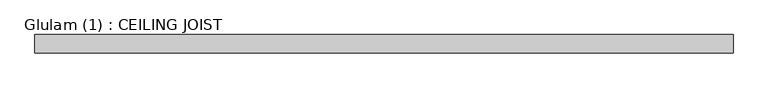
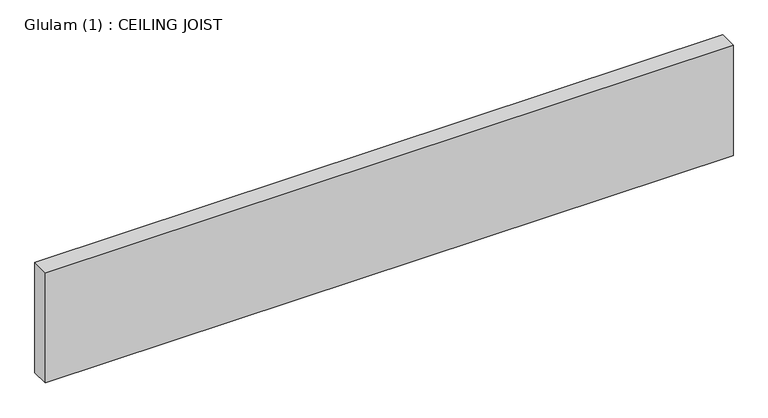
"""IFC4 building model written with IfcOpenShell, lengths in millimetres: beam geometry, Glulam (1) : CEILING JOIST."""

from ifc_helpers import new_model, si_unit, frame, origin, place, context, project, spatial, polyline, outline, extrude, source, transform, mapped, element, save


def glulam_1_ceiling_joist_75fbb8d9(model_context):
    return source(origin(), model_context, "Body", "SweptSolid", [
        extrude(outline(polyline([(854.5, 22.5), (854.5, -22.5), (-854.5, -22.5), (-854.5, 22.5), (854.5, 22.5)])), frame((0.0, 0.0, -145.0), z_axis=(0.0, 0.0, 1.0), x_axis=(1.0, 0.0, 0.0)), (0.0, 0.0, 1.0), 290.0),
    ])


if __name__ == "__main__":
    model = new_model("IFC4")
    model_context = context("Model", 3, world=origin())
    ifc_project = project(units=[si_unit("LENGTHUNIT", "METRE", prefix="MILLI")], contexts=[model_context])
    site = spatial("IfcSite", under=ifc_project)
    building = spatial("IfcBuilding", under=site)
    placement = place(None, origin())
    glulam_1_ceiling_joist_shape = glulam_1_ceiling_joist_75fbb8d9(model_context)
    element("IfcBeam", 1, ObjectType="Glulam (1) : CEILING JOIST", at=placement, inside=building, context=model_context, shape_type="MappedRepresentation", body=[
        mapped(glulam_1_ceiling_joist_shape, transform((0.0, 0.0, 0.0), x_axis=(1.0, 0.0, 0.0), y_axis=(0.0, 1.0, 0.0), z_axis=(0.0, 0.0, 1.0))),
    ])
    save(model, "model.ifc")
